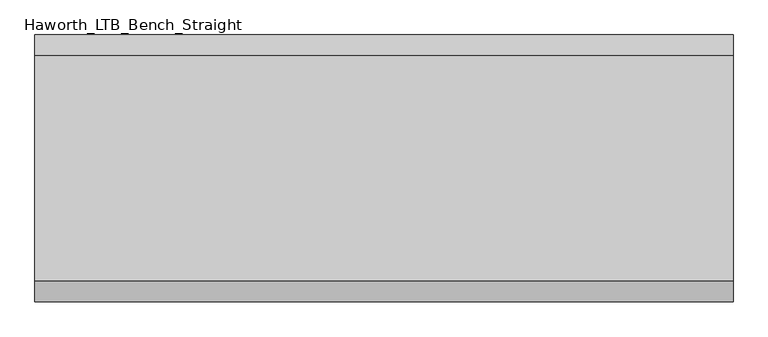
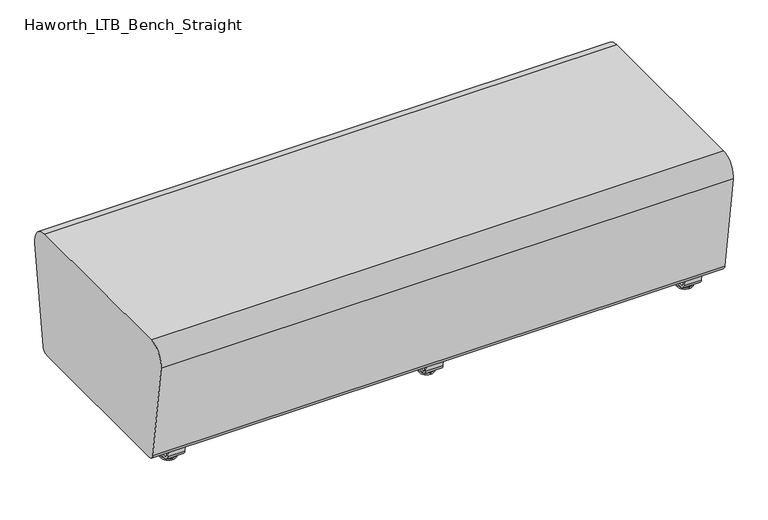
"""IFC4 building model written with IfcOpenShell, lengths in millimetres: furniture geometry, Haworth_LTB_Bench_Straight."""

from ifc_helpers import new_model, si_unit, point, frame, frame_2d, origin, place, context, project, spatial, polyline, circle_curve, ellipse_curve, trimmed, segment, composite_curve, outline, extrude, source, transform, mapped, element, save
from ifc_brep_helpers import plane_surface, cylinder_surface, revolved_surface, advanced_brep


def haworth_ltb_bench_straight_8d9b1217(model_context):
    return source(origin(), model_context, "Body", "SolidModel", [
        advanced_brep(
        [(0.0, -211.0425052, 7.8133431), (0.0, -227.0355515, 7.8133431), (0.0, -223.8015284, 7.8133431), (0.0, -214.2765284, 7.8133431), (0.0, -197.1001513, 4.0775), (0.0, -240.9779054, 4.0775), (0.0, -197.5107026, 0.0), (0.0, -240.5673542, 0.0), (0.0, -219.0390284, 0.0), (0.0, -214.2765284, 50.0000004), (0.0, -223.8015284, 50.0000004), (0.0, -219.0390284, 50.0000004)],
        [
            (0, 1, circle_curve(frame((0.0, -219.0390284, 7.8133431), z_axis=(0.0, 0.0, 1.0), x_axis=(0.0, -1.0, 0.0)), 7.9965232)),
            (1, 2),
            (2, 3, circle_curve(frame((0.0, -219.0390284, 7.8133431), z_axis=(0.0, 0.0, -1.0), x_axis=(0.0, -1.0, 0.0)), 4.7625)),
            (3, 0),
            (1, 0, circle_curve(frame((0.0, -219.0390284, 7.8133431), z_axis=(0.0, 0.0, 1.0), x_axis=(0.0, -1.0, 0.0)), 7.9965232)),
            (3, 2, circle_curve(frame((0.0, -219.0390284, 7.8133431), z_axis=(0.0, 0.0, -1.0), x_axis=(0.0, -1.0, 0.0)), 4.7625)),
            (4, 5, circle_curve(frame((0.0, -219.0390284, 4.0775), z_axis=(0.0, 0.0, 1.0), x_axis=(0.0, -1.0, 0.0)), 21.9388771)),
            (5, 1),
            (0, 4),
            (5, 4, circle_curve(frame((0.0, -219.0390284, 4.0775), z_axis=(0.0, 0.0, 1.0), x_axis=(0.0, -1.0, 0.0)), 21.9388771)),
            (6, 7, circle_curve(frame((0.0, -219.0390284, 0.0), z_axis=(0.0, 0.0, 1.0), x_axis=(0.0, -1.0, 0.0)), 21.5283258)),
            (7, 5, circle_curve(frame((0.0, -240.4405822, 2.0721829), z_axis=(-1.0, 0.0, 0.0), x_axis=(0.0, 1.0, 0.0)), 2.0760571)),
            (4, 6, circle_curve(frame((0.0, -197.6374745, 2.0721829), z_axis=(-1.0, 0.0, 0.0), x_axis=(0.0, -1.0, 0.0)), 2.0760571)),
            (7, 6, circle_curve(frame((0.0, -219.0390284, 0.0), z_axis=(0.0, 0.0, 1.0), x_axis=(0.0, -1.0, 0.0)), 21.5283258)),
            (8, 7),
            (6, 8),
            (9, 10, circle_curve(frame((0.0, -219.0390284, 50.0000004), z_axis=(0.0, 0.0, 1.0), x_axis=(0.0, -1.0, 0.0)), 4.7625)),
            (10, 11),
            (11, 9),
            (10, 9, circle_curve(frame((0.0, -219.0390284, 50.0000004), z_axis=(0.0, 0.0, 1.0), x_axis=(0.0, -1.0, 0.0)), 4.7625)),
            (2, 10),
            (9, 3),
        ],
        [
            plane_surface(frame((0.0, -219.0390284, 7.8133431), z_axis=(0.0, 0.0, 1.0), x_axis=(0.0, -1.0, 0.0))),
            revolved_surface(polyline([(0.0, -227.0355515, 7.8133431), (0.0, -240.9779054, 4.0775)]), (0.0, -219.0390284, 0.0), (0.0, 0.0, -1.0)),
            revolved_surface(trimmed(ellipse_curve(frame((0.0, -240.4405822, 2.0721829), z_axis=(1.0, 0.0, 0.0), x_axis=(0.0, 1.0, 0.0)), 2.0760571, 2.0760571), [point((0.0, -240.9779054, 4.0775))], [point((0.0, -240.5673542, 0.0))], True, "CARTESIAN"), (0.0, -219.0390284, 0.0), (0.0, 0.0, -1.0)),
            plane_surface(frame((0.0, -219.0390284, 0.0), z_axis=(0.0, 0.0, -1.0), x_axis=(0.0, -1.0, 0.0))),
            plane_surface(frame((0.0, -219.0390284, 50.0000004), z_axis=(0.0, 0.0, 1.0), x_axis=(0.0, -1.0, 0.0))),
            cylinder_surface(frame((0.0, -219.0390284, 0.0), z_axis=(0.0, 0.0, -1.0), x_axis=(0.0, -1.0, 0.0)), 4.7625),
        ],
        [
            (0, [[1, 2, 3, 4]]),
            (0, [[5, -4, 6, -2]]),
            (1, [[7, 8, -1, 9]]),
            (1, [[10, -9, -5, -8]]),
            (2, [[11, 12, -7, 13]]),
            (2, [[14, -13, -10, -12]]),
            (3, [[15, -11, 16]]),
            (3, [[-16, -14, -15]]),
            (4, [[17, 18, 19]]),
            (4, [[20, -19, -18]]),
            (5, [[-3, 21, -17, 22]]),
            (5, [[-6, -22, -20, -21]]),
        ],
    ),
        advanced_brep(
        [(0.0, 214.2765284, 7.8133431), (0.0, 223.8015284, 7.8133431), (0.0, 227.0355515, 7.8133431), (0.0, 211.0425052, 7.8133431), (0.0, 240.9779054, 4.0775), (0.0, 197.1001513, 4.0775), (0.0, 240.5673542, 0.0), (0.0, 197.5107026, 0.0), (0.0, 219.0390284, 0.0), (0.0, 219.0390284, 50.0000004), (0.0, 223.8015284, 50.0000004), (0.0, 214.2765284, 50.0000004)],
        [
            (0, 1, circle_curve(frame((0.0, 219.0390284, 7.8133431), z_axis=(0.0, 0.0, -1.0), x_axis=(0.0, 1.0, 0.0)), 4.7625)),
            (1, 2),
            (2, 3, circle_curve(frame((0.0, 219.0390284, 7.8133431), z_axis=(0.0, 0.0, 1.0), x_axis=(0.0, 1.0, 0.0)), 7.9965232)),
            (3, 0),
            (1, 0, circle_curve(frame((0.0, 219.0390284, 7.8133431), z_axis=(0.0, 0.0, -1.0), x_axis=(0.0, 1.0, 0.0)), 4.7625)),
            (3, 2, circle_curve(frame((0.0, 219.0390284, 7.8133431), z_axis=(0.0, 0.0, 1.0), x_axis=(0.0, 1.0, 0.0)), 7.9965232)),
            (2, 4),
            (4, 5, circle_curve(frame((0.0, 219.0390284, 4.0775), z_axis=(0.0, 0.0, 1.0), x_axis=(0.0, 1.0, 0.0)), 21.9388771)),
            (5, 3),
            (5, 4, circle_curve(frame((0.0, 219.0390284, 4.0775), z_axis=(0.0, 0.0, 1.0), x_axis=(0.0, 1.0, 0.0)), 21.9388771)),
            (4, 6, circle_curve(frame((0.0, 240.4405822, 2.0721829), z_axis=(-1.0, 0.0, 0.0), x_axis=(0.0, -1.0, 0.0)), 2.0760571)),
            (6, 7, circle_curve(frame((0.0, 219.0390284, 0.0), z_axis=(0.0, 0.0, 1.0), x_axis=(0.0, 1.0, 0.0)), 21.5283258)),
            (7, 5, circle_curve(frame((0.0, 197.6374745, 2.0721829), z_axis=(-1.0, 0.0, 0.0), x_axis=(0.0, 1.0, 0.0)), 2.0760571)),
            (7, 6, circle_curve(frame((0.0, 219.0390284, 0.0), z_axis=(0.0, 0.0, 1.0), x_axis=(0.0, 1.0, 0.0)), 21.5283258)),
            (6, 8),
            (8, 7),
            (9, 10),
            (10, 11, circle_curve(frame((0.0, 219.0390284, 50.0000004), z_axis=(0.0, 0.0, 1.0), x_axis=(0.0, 1.0, 0.0)), 4.7625)),
            (11, 9),
            (11, 10, circle_curve(frame((0.0, 219.0390284, 50.0000004), z_axis=(0.0, 0.0, 1.0), x_axis=(0.0, 1.0, 0.0)), 4.7625)),
            (10, 1),
            (0, 11),
        ],
        [
            plane_surface(frame((0.0, 219.0390284, 7.8133431), z_axis=(0.0, 0.0, 1.0), x_axis=(0.0, 1.0, 0.0))),
            revolved_surface(polyline([(0.0, 240.9779054, 4.0775), (0.0, 227.0355515, 7.8133431)]), (0.0, 219.0390284, 0.0), (0.0, 0.0, 1.0)),
            revolved_surface(trimmed(ellipse_curve(frame((0.0, 240.4405822, 2.0721829), z_axis=(1.0, 0.0, 0.0), x_axis=(0.0, -1.0, 0.0)), 2.0760571, 2.0760571), [point((0.0, 240.5673542, 0.0))], [point((0.0, 240.9779054, 4.0775))], True, "CARTESIAN"), (0.0, 219.0390284, 0.0), (0.0, 0.0, 1.0)),
            plane_surface(frame((0.0, 219.0390284, 0.0), z_axis=(0.0, 0.0, -1.0), x_axis=(0.0, 1.0, 0.0))),
            plane_surface(frame((0.0, 219.0390284, 50.0000004), z_axis=(0.0, 0.0, 1.0), x_axis=(0.0, 1.0, 0.0))),
            cylinder_surface(frame((0.0, 219.0390284, 0.0), z_axis=(0.0, 0.0, 1.0), x_axis=(0.0, 1.0, 0.0)), 4.7625),
        ],
        [
            (0, [[1, 2, 3, 4]]),
            (0, [[5, -4, 6, -2]]),
            (1, [[-3, 7, 8, 9]]),
            (1, [[-6, -9, 10, -7]]),
            (2, [[-8, 11, 12, 13]]),
            (2, [[-10, -13, 14, -11]]),
            (3, [[-12, 15, 16]]),
            (3, [[-14, -16, -15]]),
            (4, [[17, 18, 19]]),
            (4, [[-19, 20, -17]]),
            (5, [[-18, 21, -1, 22]]),
            (5, [[-20, -22, -5, -21]]),
        ],
    ),
        extrude(outline(composite_curve([segment(polyline([(264.8158944, 62.9950557), (259.8853496, 27.9124042)]), True, "CONTINUOUS"), segment(trimmed(circle_curve(frame_2d((245.0313276, 30.0000007)), 15.000001), [point((259.8853496, 27.9124042))], [point((245.0313276, 14.9999997))], False, "CARTESIAN"), True, "CONTINUOUS"), segment(polyline([(245.0313276, 14.9999997), (-245.0313276, 14.9999997)]), True, "CONTINUOUS"), segment(trimmed(circle_curve(frame_2d((-245.0313276, 30.0000007)), 15.000001), [point((-245.0313276, 14.9999997))], [point((-259.8853496, 27.9124042))], False, "CARTESIAN"), True, "CONTINUOUS"), segment(polyline([(-259.8853496, 27.9124042), (-264.8158944, 62.9950557), (-259.1812615, 63.7869505), (-254.2507241, 28.7043023)]), True, "CONTINUOUS"), segment(trimmed(circle_curve(frame_2d((-245.0313262, 30.0000023)), 9.310002), [point((-254.2507241, 28.7043023))], [point((-245.0313262, 20.6900003))], True, "CARTESIAN"), True, "CONTINUOUS"), segment(polyline([(-245.0313262, 20.6900003), (245.0313262, 20.6900003)]), True, "CONTINUOUS"), segment(trimmed(circle_curve(frame_2d((245.0313262, 30.0000023)), 9.310002), [point((245.0313262, 20.6900003))], [point((254.2507241, 28.7043023))], True, "CARTESIAN"), True, "CONTINUOUS"), segment(polyline([(254.2507241, 28.7043023), (259.1812615, 63.7869505), (264.8158944, 62.9950557)]), True, "CONTINUOUS")], self_intersect=False)), frame((-25.4, 0.0, 0.0), z_axis=(1.0, 0.0, 0.0), x_axis=(0.0, 1.0, 0.0)), (0.0, 0.0, 1.0), 50.8),
        advanced_brep(
        [(768.4045358, -211.0425052, 7.8133431), (768.4045358, -227.0355515, 7.8133431), (768.4045358, -223.8015284, 7.8133431), (768.4045358, -214.2765284, 7.8133431), (768.4045358, -197.1001513, 4.0775), (768.4045358, -240.9779054, 4.0775), (768.4045358, -197.5107026, 0.0), (768.4045358, -240.5673542, 0.0), (768.4045358, -219.0390284, 0.0), (768.4045358, -214.2765284, 50.0000004), (768.4045358, -223.8015284, 50.0000004), (768.4045358, -219.0390284, 50.0000004)],
        [
            (0, 1, circle_curve(frame((768.4045358, -219.0390284, 7.8133431), z_axis=(0.0, 0.0, 1.0), x_axis=(0.0, -1.0, 0.0)), 7.9965232)),
            (1, 2),
            (2, 3, circle_curve(frame((768.4045358, -219.0390284, 7.8133431), z_axis=(0.0, 0.0, -1.0), x_axis=(0.0, -1.0, 0.0)), 4.7625)),
            (3, 0),
            (1, 0, circle_curve(frame((768.4045358, -219.0390284, 7.8133431), z_axis=(0.0, 0.0, 1.0), x_axis=(0.0, -1.0, 0.0)), 7.9965232)),
            (3, 2, circle_curve(frame((768.4045358, -219.0390284, 7.8133431), z_axis=(0.0, 0.0, -1.0), x_axis=(0.0, -1.0, 0.0)), 4.7625)),
            (4, 5, circle_curve(frame((768.4045358, -219.0390284, 4.0775), z_axis=(0.0, 0.0, 1.0), x_axis=(0.0, -1.0, 0.0)), 21.9388771)),
            (5, 1),
            (0, 4),
            (5, 4, circle_curve(frame((768.4045358, -219.0390284, 4.0775), z_axis=(0.0, 0.0, 1.0), x_axis=(0.0, -1.0, 0.0)), 21.9388771)),
            (6, 7, circle_curve(frame((768.4045358, -219.0390284, 0.0), z_axis=(0.0, 0.0, 1.0), x_axis=(0.0, -1.0, 0.0)), 21.5283258)),
            (7, 5, circle_curve(frame((768.4045358, -240.4405822, 2.0721829), z_axis=(-1.0, 0.0, 0.0), x_axis=(0.0, 1.0, 0.0)), 2.0760571)),
            (4, 6, circle_curve(frame((768.4045358, -197.6374745, 2.0721829), z_axis=(-1.0, 0.0, 0.0), x_axis=(0.0, -1.0, 0.0)), 2.0760571)),
            (7, 6, circle_curve(frame((768.4045358, -219.0390284, 0.0), z_axis=(0.0, 0.0, 1.0), x_axis=(0.0, -1.0, 0.0)), 21.5283258)),
            (8, 7),
            (6, 8),
            (9, 10, circle_curve(frame((768.4045358, -219.0390284, 50.0000004), z_axis=(0.0, 0.0, 1.0), x_axis=(0.0, -1.0, 0.0)), 4.7625)),
            (10, 11),
            (11, 9),
            (10, 9, circle_curve(frame((768.4045358, -219.0390284, 50.0000004), z_axis=(0.0, 0.0, 1.0), x_axis=(0.0, -1.0, 0.0)), 4.7625)),
            (2, 10),
            (9, 3),
        ],
        [
            plane_surface(frame((768.4045358, -219.0390284, 7.8133431), z_axis=(0.0, 0.0, 1.0), x_axis=(0.0, -1.0, 0.0))),
            revolved_surface(polyline([(768.4045358, -227.0355515, 7.8133431), (768.4045358, -240.9779054, 4.0775)]), (768.4045358, -219.0390284, 0.0), (0.0, 0.0, -1.0)),
            revolved_surface(trimmed(ellipse_curve(frame((768.4045358, -240.4405822, 2.0721829), z_axis=(1.0, 0.0, 0.0), x_axis=(0.0, 1.0, 0.0)), 2.0760571, 2.0760571), [point((768.4045358, -240.9779054, 4.0775))], [point((768.4045358, -240.5673542, 0.0))], True, "CARTESIAN"), (768.4045358, -219.0390284, 0.0), (0.0, 0.0, -1.0)),
            plane_surface(frame((768.4045358, -219.0390284, 0.0), z_axis=(0.0, 0.0, -1.0), x_axis=(0.0, -1.0, 0.0))),
            plane_surface(frame((768.4045358, -219.0390284, 50.0000004), z_axis=(0.0, 0.0, 1.0), x_axis=(0.0, -1.0, 0.0))),
            cylinder_surface(frame((768.4045358, -219.0390284, 0.0), z_axis=(0.0, 0.0, -1.0), x_axis=(0.0, -1.0, 0.0)), 4.7625),
        ],
        [
            (0, [[1, 2, 3, 4]]),
            (0, [[5, -4, 6, -2]]),
            (1, [[7, 8, -1, 9]]),
            (1, [[10, -9, -5, -8]]),
            (2, [[11, 12, -7, 13]]),
            (2, [[14, -13, -10, -12]]),
            (3, [[15, -11, 16]]),
            (3, [[-16, -14, -15]]),
            (4, [[17, 18, 19]]),
            (4, [[20, -19, -18]]),
            (5, [[-3, 21, -17, 22]]),
            (5, [[-6, -22, -20, -21]]),
        ],
    ),
        advanced_brep(
        [(768.4045358, 214.2765284, 7.8133431), (768.4045358, 223.8015284, 7.8133431), (768.4045358, 227.0355515, 7.8133431), (768.4045358, 211.0425052, 7.8133431), (768.4045358, 240.9779054, 4.0775), (768.4045358, 197.1001513, 4.0775), (768.4045358, 240.5673542, 0.0), (768.4045358, 197.5107026, 0.0), (768.4045358, 219.0390284, 0.0), (768.4045358, 219.0390284, 50.0000004), (768.4045358, 223.8015284, 50.0000004), (768.4045358, 214.2765284, 50.0000004)],
        [
            (0, 1, circle_curve(frame((768.4045358, 219.0390284, 7.8133431), z_axis=(0.0, 0.0, -1.0), x_axis=(0.0, 1.0, 0.0)), 4.7625)),
            (1, 2),
            (2, 3, circle_curve(frame((768.4045358, 219.0390284, 7.8133431), z_axis=(0.0, 0.0, 1.0), x_axis=(0.0, 1.0, 0.0)), 7.9965232)),
            (3, 0),
            (1, 0, circle_curve(frame((768.4045358, 219.0390284, 7.8133431), z_axis=(0.0, 0.0, -1.0), x_axis=(0.0, 1.0, 0.0)), 4.7625)),
            (3, 2, circle_curve(frame((768.4045358, 219.0390284, 7.8133431), z_axis=(0.0, 0.0, 1.0), x_axis=(0.0, 1.0, 0.0)), 7.9965232)),
            (2, 4),
            (4, 5, circle_curve(frame((768.4045358, 219.0390284, 4.0775), z_axis=(0.0, 0.0, 1.0), x_axis=(0.0, 1.0, 0.0)), 21.9388771)),
            (5, 3),
            (5, 4, circle_curve(frame((768.4045358, 219.0390284, 4.0775), z_axis=(0.0, 0.0, 1.0), x_axis=(0.0, 1.0, 0.0)), 21.9388771)),
            (4, 6, circle_curve(frame((768.4045358, 240.4405822, 2.0721829), z_axis=(-1.0, 0.0, 0.0), x_axis=(0.0, -1.0, 0.0)), 2.0760571)),
            (6, 7, circle_curve(frame((768.4045358, 219.0390284, 0.0), z_axis=(0.0, 0.0, 1.0), x_axis=(0.0, 1.0, 0.0)), 21.5283258)),
            (7, 5, circle_curve(frame((768.4045358, 197.6374745, 2.0721829), z_axis=(-1.0, 0.0, 0.0), x_axis=(0.0, 1.0, 0.0)), 2.0760571)),
            (7, 6, circle_curve(frame((768.4045358, 219.0390284, 0.0), z_axis=(0.0, 0.0, 1.0), x_axis=(0.0, 1.0, 0.0)), 21.5283258)),
            (6, 8),
            (8, 7),
            (9, 10),
            (10, 11, circle_curve(frame((768.4045358, 219.0390284, 50.0000004), z_axis=(0.0, 0.0, 1.0), x_axis=(0.0, 1.0, 0.0)), 4.7625)),
            (11, 9),
            (11, 10, circle_curve(frame((768.4045358, 219.0390284, 50.0000004), z_axis=(0.0, 0.0, 1.0), x_axis=(0.0, 1.0, 0.0)), 4.7625)),
            (10, 1),
            (0, 11),
        ],
        [
            plane_surface(frame((768.4045358, 219.0390284, 7.8133431), z_axis=(0.0, 0.0, 1.0), x_axis=(0.0, 1.0, 0.0))),
            revolved_surface(polyline([(768.4045358, 240.9779054, 4.0775), (768.4045358, 227.0355515, 7.8133431)]), (768.4045358, 219.0390284, 0.0), (0.0, 0.0, 1.0)),
            revolved_surface(trimmed(ellipse_curve(frame((768.4045358, 240.4405822, 2.0721829), z_axis=(1.0, 0.0, 0.0), x_axis=(0.0, -1.0, 0.0)), 2.0760571, 2.0760571), [point((768.4045358, 240.5673542, 0.0))], [point((768.4045358, 240.9779054, 4.0775))], True, "CARTESIAN"), (768.4045358, 219.0390284, 0.0), (0.0, 0.0, 1.0)),
            plane_surface(frame((768.4045358, 219.0390284, 0.0), z_axis=(0.0, 0.0, -1.0), x_axis=(0.0, 1.0, 0.0))),
            plane_surface(frame((768.4045358, 219.0390284, 50.0000004), z_axis=(0.0, 0.0, 1.0), x_axis=(0.0, 1.0, 0.0))),
            cylinder_surface(frame((768.4045358, 219.0390284, 0.0), z_axis=(0.0, 0.0, 1.0), x_axis=(0.0, 1.0, 0.0)), 4.7625),
        ],
        [
            (0, [[1, 2, 3, 4]]),
            (0, [[5, -4, 6, -2]]),
            (1, [[-3, 7, 8, 9]]),
            (1, [[-6, -9, 10, -7]]),
            (2, [[-8, 11, 12, 13]]),
            (2, [[-10, -13, 14, -11]]),
            (3, [[-12, 15, 16]]),
            (3, [[-14, -16, -15]]),
            (4, [[17, 18, 19]]),
            (4, [[-19, 20, -17]]),
            (5, [[-18, 21, -1, 22]]),
            (5, [[-20, -22, -5, -21]]),
        ],
    ),
        extrude(outline(composite_curve([segment(polyline([(264.8158944, 62.9950557), (259.8853496, 27.9124042)]), True, "CONTINUOUS"), segment(trimmed(circle_curve(frame_2d((245.0313276, 30.0000007)), 15.000001), [point((259.8853496, 27.9124042))], [point((245.0313276, 14.9999997))], False, "CARTESIAN"), True, "CONTINUOUS"), segment(polyline([(245.0313276, 14.9999997), (-245.0313276, 14.9999997)]), True, "CONTINUOUS"), segment(trimmed(circle_curve(frame_2d((-245.0313276, 30.0000007)), 15.000001), [point((-245.0313276, 14.9999997))], [point((-259.8853496, 27.9124042))], False, "CARTESIAN"), True, "CONTINUOUS"), segment(polyline([(-259.8853496, 27.9124042), (-264.8158944, 62.9950557), (-259.1812615, 63.7869505), (-254.2507241, 28.7043023)]), True, "CONTINUOUS"), segment(trimmed(circle_curve(frame_2d((-245.0313262, 30.0000023)), 9.310002), [point((-254.2507241, 28.7043023))], [point((-245.0313262, 20.6900003))], True, "CARTESIAN"), True, "CONTINUOUS"), segment(polyline([(-245.0313262, 20.6900003), (245.0313262, 20.6900003)]), True, "CONTINUOUS"), segment(trimmed(circle_curve(frame_2d((245.0313262, 30.0000023)), 9.310002), [point((245.0313262, 20.6900003))], [point((254.2507241, 28.7043023))], True, "CARTESIAN"), True, "CONTINUOUS"), segment(polyline([(254.2507241, 28.7043023), (259.1812615, 63.7869505), (264.8158944, 62.9950557)]), True, "CONTINUOUS")], self_intersect=False)), frame((743.0045358, 0.0, 0.0), z_axis=(1.0, 0.0, 0.0), x_axis=(0.0, 1.0, 0.0)), (0.0, 0.0, 1.0), 50.8),
        advanced_brep(
        [(-768.4045358, -214.2765284, 7.8133431), (-768.4045358, -223.8015284, 7.8133431), (-768.4045358, -227.0355515, 7.8133431), (-768.4045358, -211.0425052, 7.8133431), (-768.4045358, -240.9779054, 4.0775), (-768.4045358, -197.1001513, 4.0775), (-768.4045358, -240.5673542, 0.0), (-768.4045358, -197.5107026, 0.0), (-768.4045358, -219.0390284, 0.0), (-768.4045358, -219.0390284, 50.0000004), (-768.4045358, -223.8015284, 50.0000004), (-768.4045358, -214.2765284, 50.0000004)],
        [
            (0, 1, circle_curve(frame((-768.4045358, -219.0390284, 7.8133431), z_axis=(0.0, 0.0, -1.0), x_axis=(0.0, -1.0, 0.0)), 4.7625)),
            (1, 2),
            (2, 3, circle_curve(frame((-768.4045358, -219.0390284, 7.8133431), z_axis=(0.0, 0.0, 1.0), x_axis=(0.0, -1.0, 0.0)), 7.9965232)),
            (3, 0),
            (1, 0, circle_curve(frame((-768.4045358, -219.0390284, 7.8133431), z_axis=(0.0, 0.0, -1.0), x_axis=(0.0, -1.0, 0.0)), 4.7625)),
            (3, 2, circle_curve(frame((-768.4045358, -219.0390284, 7.8133431), z_axis=(0.0, 0.0, 1.0), x_axis=(0.0, -1.0, 0.0)), 7.9965232)),
            (2, 4),
            (4, 5, circle_curve(frame((-768.4045358, -219.0390284, 4.0775), z_axis=(0.0, 0.0, 1.0), x_axis=(0.0, -1.0, 0.0)), 21.9388771)),
            (5, 3),
            (5, 4, circle_curve(frame((-768.4045358, -219.0390284, 4.0775), z_axis=(0.0, 0.0, 1.0), x_axis=(0.0, -1.0, 0.0)), 21.9388771)),
            (4, 6, circle_curve(frame((-768.4045358, -240.4405822, 2.0721829), z_axis=(1.0, 0.0, 0.0), x_axis=(0.0, 1.0, 0.0)), 2.0760571)),
            (6, 7, circle_curve(frame((-768.4045358, -219.0390284, 0.0), z_axis=(0.0, 0.0, 1.0), x_axis=(0.0, -1.0, 0.0)), 21.5283258)),
            (7, 5, circle_curve(frame((-768.4045358, -197.6374745, 2.0721829), z_axis=(1.0, 0.0, 0.0), x_axis=(0.0, -1.0, 0.0)), 2.0760571)),
            (7, 6, circle_curve(frame((-768.4045358, -219.0390284, 0.0), z_axis=(0.0, 0.0, 1.0), x_axis=(0.0, -1.0, 0.0)), 21.5283258)),
            (6, 8),
            (8, 7),
            (9, 10),
            (10, 11, circle_curve(frame((-768.4045358, -219.0390284, 50.0000004), z_axis=(0.0, 0.0, 1.0), x_axis=(0.0, -1.0, 0.0)), 4.7625)),
            (11, 9),
            (11, 10, circle_curve(frame((-768.4045358, -219.0390284, 50.0000004), z_axis=(0.0, 0.0, 1.0), x_axis=(0.0, -1.0, 0.0)), 4.7625)),
            (10, 1),
            (0, 11),
        ],
        [
            plane_surface(frame((-768.4045358, -219.0390284, 7.8133431), z_axis=(0.0, 0.0, 1.0), x_axis=(0.0, -1.0, 0.0))),
            revolved_surface(polyline([(-768.4045358, -240.9779054, 4.0775), (-768.4045358, -227.0355515, 7.8133431)]), (-768.4045358, -219.0390284, 0.0), (0.0, 0.0, 1.0)),
            revolved_surface(trimmed(ellipse_curve(frame((-768.4045358, -240.4405822, 2.0721829), z_axis=(-1.0, 0.0, 0.0), x_axis=(0.0, 1.0, 0.0)), 2.0760571, 2.0760571), [point((-768.4045358, -240.5673542, 0.0))], [point((-768.4045358, -240.9779054, 4.0775))], True, "CARTESIAN"), (-768.4045358, -219.0390284, 0.0), (0.0, 0.0, 1.0)),
            plane_surface(frame((-768.4045358, -219.0390284, 0.0), z_axis=(0.0, 0.0, -1.0), x_axis=(0.0, -1.0, 0.0))),
            plane_surface(frame((-768.4045358, -219.0390284, 50.0000004), z_axis=(0.0, 0.0, 1.0), x_axis=(0.0, -1.0, 0.0))),
            cylinder_surface(frame((-768.4045358, -219.0390284, 0.0), z_axis=(0.0, 0.0, 1.0), x_axis=(0.0, -1.0, 0.0)), 4.7625),
        ],
        [
            (0, [[1, 2, 3, 4]]),
            (0, [[5, -4, 6, -2]]),
            (1, [[-3, 7, 8, 9]]),
            (1, [[-6, -9, 10, -7]]),
            (2, [[-8, 11, 12, 13]]),
            (2, [[-10, -13, 14, -11]]),
            (3, [[-12, 15, 16]]),
            (3, [[-14, -16, -15]]),
            (4, [[17, 18, 19]]),
            (4, [[-19, 20, -17]]),
            (5, [[-18, 21, -1, 22]]),
            (5, [[-20, -22, -5, -21]]),
        ],
    ),
        advanced_brep(
        [(-768.4045358, 211.0425052, 7.8133431), (-768.4045358, 227.0355515, 7.8133431), (-768.4045358, 223.8015284, 7.8133431), (-768.4045358, 214.2765284, 7.8133431), (-768.4045358, 197.1001513, 4.0775), (-768.4045358, 240.9779054, 4.0775), (-768.4045358, 197.5107026, 0.0), (-768.4045358, 240.5673542, 0.0), (-768.4045358, 219.0390284, 0.0), (-768.4045358, 214.2765284, 50.0000004), (-768.4045358, 223.8015284, 50.0000004), (-768.4045358, 219.0390284, 50.0000004)],
        [
            (0, 1, circle_curve(frame((-768.4045358, 219.0390284, 7.8133431), z_axis=(0.0, 0.0, 1.0), x_axis=(0.0, 1.0, 0.0)), 7.9965232)),
            (1, 2),
            (2, 3, circle_curve(frame((-768.4045358, 219.0390284, 7.8133431), z_axis=(0.0, 0.0, -1.0), x_axis=(0.0, 1.0, 0.0)), 4.7625)),
            (3, 0),
            (1, 0, circle_curve(frame((-768.4045358, 219.0390284, 7.8133431), z_axis=(0.0, 0.0, 1.0), x_axis=(0.0, 1.0, 0.0)), 7.9965232)),
            (3, 2, circle_curve(frame((-768.4045358, 219.0390284, 7.8133431), z_axis=(0.0, 0.0, -1.0), x_axis=(0.0, 1.0, 0.0)), 4.7625)),
            (4, 5, circle_curve(frame((-768.4045358, 219.0390284, 4.0775), z_axis=(0.0, 0.0, 1.0), x_axis=(0.0, 1.0, 0.0)), 21.9388771)),
            (5, 1),
            (0, 4),
            (5, 4, circle_curve(frame((-768.4045358, 219.0390284, 4.0775), z_axis=(0.0, 0.0, 1.0), x_axis=(0.0, 1.0, 0.0)), 21.9388771)),
            (6, 7, circle_curve(frame((-768.4045358, 219.0390284, 0.0), z_axis=(0.0, 0.0, 1.0), x_axis=(0.0, 1.0, 0.0)), 21.5283258)),
            (7, 5, circle_curve(frame((-768.4045358, 240.4405822, 2.0721829), z_axis=(1.0, 0.0, 0.0), x_axis=(0.0, -1.0, 0.0)), 2.0760571)),
            (4, 6, circle_curve(frame((-768.4045358, 197.6374745, 2.0721829), z_axis=(1.0, 0.0, 0.0), x_axis=(0.0, 1.0, 0.0)), 2.0760571)),
            (7, 6, circle_curve(frame((-768.4045358, 219.0390284, 0.0), z_axis=(0.0, 0.0, 1.0), x_axis=(0.0, 1.0, 0.0)), 21.5283258)),
            (8, 7),
            (6, 8),
            (9, 10, circle_curve(frame((-768.4045358, 219.0390284, 50.0000004), z_axis=(0.0, 0.0, 1.0), x_axis=(0.0, 1.0, 0.0)), 4.7625)),
            (10, 11),
            (11, 9),
            (10, 9, circle_curve(frame((-768.4045358, 219.0390284, 50.0000004), z_axis=(0.0, 0.0, 1.0), x_axis=(0.0, 1.0, 0.0)), 4.7625)),
            (2, 10),
            (9, 3),
        ],
        [
            plane_surface(frame((-768.4045358, 219.0390284, 7.8133431), z_axis=(0.0, 0.0, 1.0), x_axis=(0.0, 1.0, 0.0))),
            revolved_surface(polyline([(-768.4045358, 227.0355515, 7.8133431), (-768.4045358, 240.9779054, 4.0775)]), (-768.4045358, 219.0390284, 0.0), (0.0, 0.0, -1.0)),
            revolved_surface(trimmed(ellipse_curve(frame((-768.4045358, 240.4405822, 2.0721829), z_axis=(-1.0, 0.0, 0.0), x_axis=(0.0, -1.0, 0.0)), 2.0760571, 2.0760571), [point((-768.4045358, 240.9779054, 4.0775))], [point((-768.4045358, 240.5673542, 0.0))], True, "CARTESIAN"), (-768.4045358, 219.0390284, 0.0), (0.0, 0.0, -1.0)),
            plane_surface(frame((-768.4045358, 219.0390284, 0.0), z_axis=(0.0, 0.0, -1.0), x_axis=(0.0, 1.0, 0.0))),
            plane_surface(frame((-768.4045358, 219.0390284, 50.0000004), z_axis=(0.0, 0.0, 1.0), x_axis=(0.0, 1.0, 0.0))),
            cylinder_surface(frame((-768.4045358, 219.0390284, 0.0), z_axis=(0.0, 0.0, -1.0), x_axis=(0.0, 1.0, 0.0)), 4.7625),
        ],
        [
            (0, [[1, 2, 3, 4]]),
            (0, [[5, -4, 6, -2]]),
            (1, [[7, 8, -1, 9]]),
            (1, [[10, -9, -5, -8]]),
            (2, [[11, 12, -7, 13]]),
            (2, [[14, -13, -10, -12]]),
            (3, [[15, -11, 16]]),
            (3, [[-16, -14, -15]]),
            (4, [[17, 18, 19]]),
            (4, [[20, -19, -18]]),
            (5, [[-3, 21, -17, 22]]),
            (5, [[-6, -22, -20, -21]]),
        ],
    ),
        extrude(outline(composite_curve([segment(polyline([(264.8158944, 62.9950557), (259.8853496, 27.9124042)]), True, "CONTINUOUS"), segment(trimmed(circle_curve(frame_2d((245.0313276, 30.0000007)), 15.000001), [point((259.8853496, 27.9124042))], [point((245.0313276, 14.9999997))], False, "CARTESIAN"), True, "CONTINUOUS"), segment(polyline([(245.0313276, 14.9999997), (-245.0313276, 14.9999997)]), True, "CONTINUOUS"), segment(trimmed(circle_curve(frame_2d((-245.0313276, 30.0000007)), 15.000001), [point((-245.0313276, 14.9999997))], [point((-259.8853496, 27.9124042))], False, "CARTESIAN"), True, "CONTINUOUS"), segment(polyline([(-259.8853496, 27.9124042), (-264.8158944, 62.9950557), (-259.1812615, 63.7869505), (-254.2507241, 28.7043023)]), True, "CONTINUOUS"), segment(trimmed(circle_curve(frame_2d((-245.0313262, 30.0000023)), 9.310002), [point((-254.2507241, 28.7043023))], [point((-245.0313262, 20.6900003))], True, "CARTESIAN"), True, "CONTINUOUS"), segment(polyline([(-245.0313262, 20.6900003), (245.0313262, 20.6900003)]), True, "CONTINUOUS"), segment(trimmed(circle_curve(frame_2d((245.0313262, 30.0000023)), 9.310002), [point((245.0313262, 20.6900003))], [point((254.2507241, 28.7043023))], True, "CARTESIAN"), True, "CONTINUOUS"), segment(polyline([(254.2507241, 28.7043023), (259.1812615, 63.7869505), (264.8158944, 62.9950557)]), True, "CONTINUOUS")], self_intersect=False)), frame((-793.8045358, 0.0, 0.0), z_axis=(1.0, 0.0, 0.0), x_axis=(0.0, 1.0, 0.0)), (0.0, 0.0, 1.0), 50.8),
        extrude(outline(composite_curve([segment(trimmed(circle_curve(frame_2d((264.0390314, 68.9999996)), 18.9999992), [point((282.8541239, 66.3557108))], [point((264.0390314, 50.0000004))], False, "CARTESIAN"), True, "CONTINUOUS"), segment(polyline([(264.0390314, 50.0000004), (-264.0390314, 50.0000004)]), True, "CONTINUOUS"), segment(trimmed(circle_curve(frame_2d((-264.0390314, 68.9999996)), 18.9999992), [point((-264.0390314, 50.0000004))], [point((-282.8541239, 66.3557108))], False, "CARTESIAN"), True, "CONTINUOUS"), segment(polyline([(-282.8541239, 66.3557108), (-325.0457699, 366.5648734)]), True, "CONTINUOUS"), segment(trimmed(circle_curve(frame_2d((-274.2488862, 373.7039098)), 51.2960938), [point((-325.0457699, 366.5648734))], [point((-274.2488862, 425.0000035))], False, "CARTESIAN"), True, "CONTINUOUS"), segment(polyline([(-274.2488862, 425.0000035), (274.2488862, 425.0000035)]), True, "CONTINUOUS"), segment(trimmed(circle_curve(frame_2d((274.2488862, 373.7039098)), 51.2960937), [point((274.2488862, 425.0000035))], [point((325.0457699, 366.5648734))], False, "CARTESIAN"), True, "CONTINUOUS"), segment(polyline([(325.0457699, 366.5648734), (282.8541239, 66.3557108)]), True, "CONTINUOUS")], self_intersect=False)), frame((-850.9, 0.0, 0.0), z_axis=(1.0, 0.0, 0.0), x_axis=(0.0, 1.0, 0.0)), (0.0, 0.0, 1.0), 1701.8),
    ])


if __name__ == "__main__":
    model = new_model("IFC4")
    model_context = context("Model", 3, world=origin())
    ifc_project = project(units=[si_unit("LENGTHUNIT", "METRE", prefix="MILLI")], contexts=[model_context])
    site = spatial("IfcSite", under=ifc_project)
    building = spatial("IfcBuilding", under=site)
    placement = place(None, origin())
    haworth_ltb_bench_straight_shape = haworth_ltb_bench_straight_8d9b1217(model_context)
    element("IfcFurniture", 1, ObjectType="Haworth_LTB_Bench_Straight", at=placement, inside=building, context=model_context, shape_type="MappedRepresentation", body=[
        mapped(haworth_ltb_bench_straight_shape, transform((0.0, 0.0, 0.0), x_axis=(1.0, 0.0, 0.0), y_axis=(0.0, 1.0, 0.0), z_axis=(0.0, 0.0, 1.0))),
    ])
    save(model, "model.ifc")
